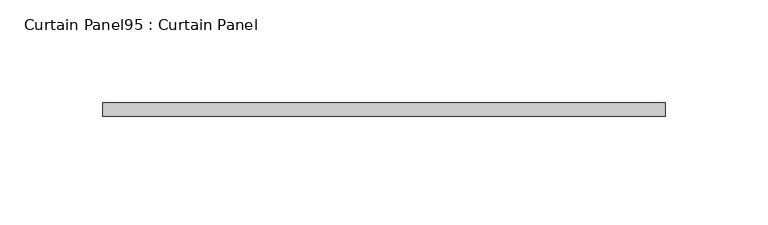
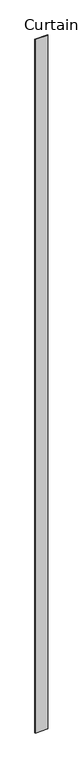
"""IFC4 building model written with IfcOpenShell, lengths in millimetres: plate geometry, Curtain Panel95 : Curtain Panel."""

from ifc_helpers import new_model, si_unit, frame, origin, place, context, project, spatial, polyline, outline, extrude, source, transform, mapped, element, save


def curtain_panel95_curtain_panel_1aded6cb(model_context):
    return source(origin(), model_context, "Body", "SweptSolid", [
        extrude(outline(polyline([(177946.8450674, 7961.9084949), (177673.7950674, 7961.9084949), (177673.7950674, 7968.2584949), (177946.8450674, 7968.2584949), (177946.8450674, 7961.9084949)])), frame((0.0, 0.0, 1433.7679301), z_axis=(0.0, 0.0, 1.0), x_axis=(1.0, 0.0, 0.0)), (0.0, 0.0, 1.0), 15837.0064664),
    ])


if __name__ == "__main__":
    model = new_model("IFC4")
    model_context = context("Model", 3, world=origin())
    ifc_project = project(units=[si_unit("LENGTHUNIT", "METRE", prefix="MILLI")], contexts=[model_context])
    site = spatial("IfcSite", under=ifc_project)
    building = spatial("IfcBuilding", under=site)
    placement = place(None, origin())
    curtain_panel95_curtain_panel_shape = curtain_panel95_curtain_panel_1aded6cb(model_context)
    element("IfcPlate", 1, ObjectType="Curtain Panel95 : Curtain Panel", at=placement, inside=building, context=model_context, shape_type="MappedRepresentation", body=[
        mapped(curtain_panel95_curtain_panel_shape, transform((0.0, 0.0, 0.0), x_axis=(1.0, 0.0, 0.0), y_axis=(0.0, 1.0, 0.0), z_axis=(0.0, 0.0, 1.0))),
    ])
    save(model, "model.ifc")
